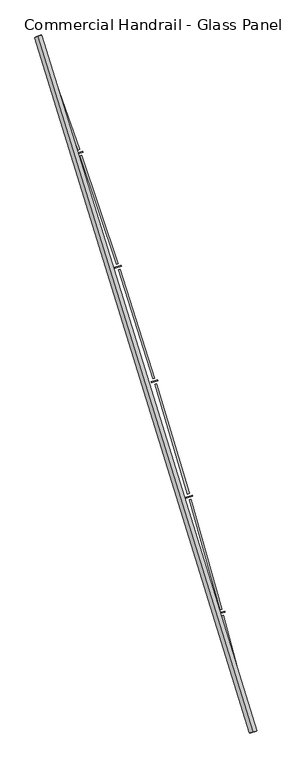
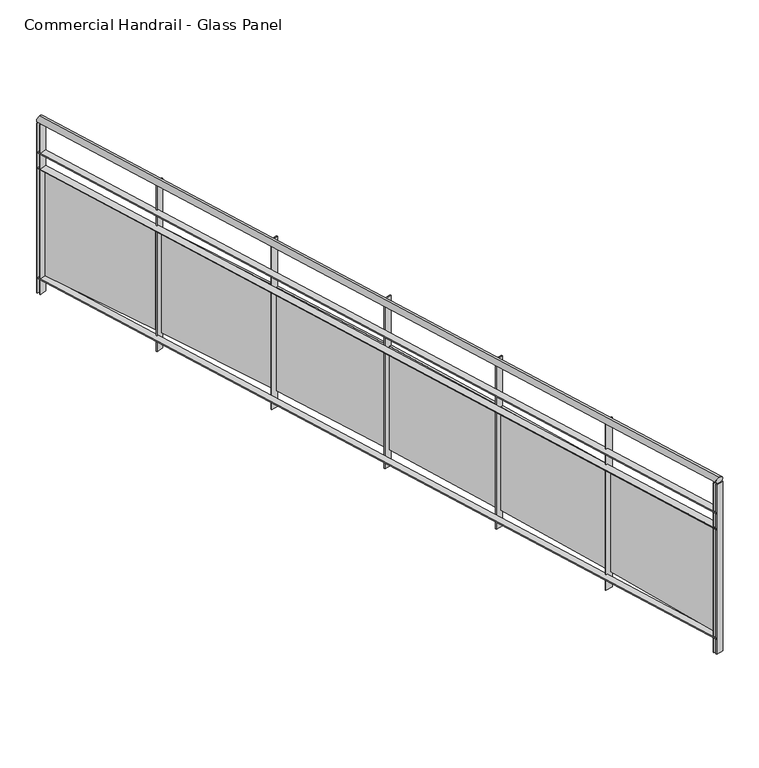
"""IFC4 building model written with IfcOpenShell, lengths in millimetres: railing geometry, Commercial Handrail - Glass Panel."""

from ifc_helpers import new_model, si_unit, point, frame, origin, place, context, project, spatial, polyline, circle_curve, ellipse_curve, trimmed, outline, extrude, source, transform, mapped, element, save
from ifc_brep_helpers import plane_surface, cylinder_surface, revolved_surface, advanced_brep


def commercial_handrail_glass_panel_b037a765(model_context):
    return source(origin(), model_context, "Body", "SolidModel", [
        advanced_brep(
        [(180775.6028582, -41782.2225015, 19682.5), (179346.0628414, -37160.8311359, 19682.5), (179346.0628414, -37160.8311359, 19717.5), (180775.6028582, -41782.2225015, 19717.5)],
        [
            (0, 1, circle_curve(frame((134505.1876621, -53563.3040857, 19682.5), z_axis=(0.0, 0.0, 1.0), x_axis=(0.9391412678699065, 0.3435311906999195, 0.0)), 47746.6774311)),
            (1, 2, ellipse_curve(frame((179346.0628414, -37160.8311359, 19700.0), z_axis=(0.34353119069991367, -0.9391412678699088, 0.0), x_axis=(-0.9391412678699086, -0.3435311906999136, 0.0)), 25.0, 17.5)),
            (2, 3, circle_curve(frame((134505.1876621, -53563.3040857, 19717.5), z_axis=(0.0, 0.0, -1.0), x_axis=(0.9391412678699065, 0.3435311906999195, 0.0)), 47746.6774311)),
            (3, 0, ellipse_curve(frame((180775.6028582, -41782.2225015, 19700.0), z_axis=(-0.24674139056469277, 0.9690813620033158, 0.0), x_axis=(-0.9690813620033158, -0.24674139056469277, 0.0)), 25.0, 17.5)),
            (2, 1, ellipse_curve(frame((179346.0628414, -37160.8311359, 19700.0), z_axis=(0.34353119069991367, -0.9391412678699088, 0.0), x_axis=(-0.9391412678699086, -0.3435311906999136, 0.0)), 25.0, 17.5)),
            (0, 3, ellipse_curve(frame((180775.6028582, -41782.2225015, 19700.0), z_axis=(-0.24674139056469277, 0.9690813620033158, 0.0), x_axis=(-0.9690813620033158, -0.24674139056469277, 0.0)), 25.0, 17.5)),
        ],
        [
            revolved_surface(trimmed(ellipse_curve(frame((179346.0628414, -37160.8311359, 19700.0), z_axis=(-0.3435311906999195, 0.9391412678699065, 0.0), x_axis=(0.0, 0.0, -1.0)), 17.5, 25.0), [point((179346.0628414, -37160.8311359, 19717.5))], [point((179346.0628414, -37160.8311359, 19682.5))], True, "CARTESIAN"), (134505.1876621, -53563.3040857, 19700.0), (0.0, 0.0, -1.0)),
            revolved_surface(trimmed(ellipse_curve(frame((179346.0628414, -37160.8311359, 19700.0), z_axis=(-0.3435311906999195, 0.9391412678699065, 0.0), x_axis=(0.0, 0.0, -1.0)), 17.5, 25.0), [point((179346.0628414, -37160.8311359, 19682.5))], [point((179346.0628414, -37160.8311359, 19717.5))], True, "CARTESIAN"), (134505.1876621, -53563.3040857, 19700.0), (0.0, 0.0, -1.0)),
            plane_surface(frame((179346.0628414, -37160.8311359, 19700.0), z_axis=(-0.3435311906999195, 0.9391412678699065, 0.0), x_axis=(0.9391412678699065, 0.3435311906999195, 0.0))),
            plane_surface(frame((180775.6028582, -41782.2225015, 19700.0), z_axis=(0.24674139056469271, -0.9690813620033158, 0.0), x_axis=(0.9690813620033158, 0.24674139056469271, 0.0))),
        ],
        [
            (0, [[1, 2, 3, 4]]),
            (1, [[-3, 5, -1, 6]]),
            (2, [[-2, -5]]),
            (3, [[-6, -4]]),
        ],
    ),
        advanced_brep(
        [(180797.4071889, -41776.6708203, 19500.0), (179367.1935199, -37153.1016841, 19500.0), (179324.9321629, -37168.5605877, 19500.0), (180753.7985276, -41787.7741828, 19500.0), (180797.4071889, -41776.6708203, 19494.0), (179367.1935199, -37153.1016841, 19494.0), (180753.7985276, -41787.7741828, 19494.0), (179324.9321629, -37168.5605877, 19494.0)],
        [
            (0, 1, circle_curve(frame((134505.1876621, -53563.3040857, 19500.0), z_axis=(0.0, 0.0, 1.0), x_axis=(0.9391412678699065, 0.3435311906999195, 0.0)), 47769.1774311)),
            (1, 2),
            (2, 3, circle_curve(frame((134505.1876621, -53563.3040857, 19500.0), z_axis=(0.0, 0.0, -1.0), x_axis=(0.9391412678699065, 0.3435311906999195, 0.0)), 47724.1774311)),
            (3, 0),
            (4, 5, circle_curve(frame((134505.1876621, -53563.3040857, 19494.0), z_axis=(0.0, 0.0, 1.0), x_axis=(0.9391412678699065, 0.3435311906999195, 0.0)), 47769.1774311)),
            (5, 1),
            (0, 4),
            (6, 7, circle_curve(frame((134505.1876621, -53563.3040857, 19494.0), z_axis=(0.0, 0.0, 1.0), x_axis=(0.9391412678699065, 0.3435311906999195, 0.0)), 47724.1774311)),
            (7, 5),
            (4, 6),
            (2, 7),
            (6, 3),
        ],
        [
            plane_surface(frame((134505.1876621, -53563.3040857, 19500.0), z_axis=(0.0, 0.0, 1.0), x_axis=(0.9391412678699065, 0.3435311906999195, 0.0))),
            cylinder_surface(frame((134505.1876621, -53563.3040857, 19500.0), z_axis=(0.0, 0.0, -1.0), x_axis=(0.9391412678699065, 0.3435311906999195, 0.0)), 47769.1774311),
            plane_surface(frame((134505.1876621, -53563.3040857, 19494.0), z_axis=(0.0, 0.0, -1.0), x_axis=(0.9391412678699065, 0.3435311906999195, 0.0))),
            revolved_surface(polyline([(179324.93216279164, -37168.56058762, 19494.0), (179324.93216279164, -37168.56058762, 19500.0)]), (134505.1876621, -53563.3040857, 19500.0), (0.0, 0.0, -1.0)),
            plane_surface(frame((179346.0628414, -37160.8311359, 19500.0), z_axis=(-0.3435311906999195, 0.9391412678699065, 0.0), x_axis=(0.9391412678699065, 0.3435311906999195, 0.0))),
            plane_surface(frame((180775.6028582, -41782.2225015, 19500.0), z_axis=(0.24674139056469271, -0.9690813620033158, 0.0), x_axis=(0.9690813620033158, 0.24674139056469271, 0.0))),
        ],
        [
            (0, [[1, 2, 3, 4]]),
            (1, [[5, 6, -1, 7]]),
            (2, [[8, 9, -5, 10]]),
            (3, [[-3, 11, -8, 12]]),
            (4, [[-2, -6, -9, -11]]),
            (5, [[-12, -10, -7, -4]]),
        ],
    ),
        advanced_brep(
        [(180797.4071889, -41776.6708203, 19400.0), (179367.1935199, -37153.1016841, 19400.0), (179324.9321629, -37168.5605877, 19400.0), (180753.7985276, -41787.7741828, 19400.0), (180797.4071889, -41776.6708203, 19394.0), (179367.1935199, -37153.1016841, 19394.0), (180753.7985276, -41787.7741828, 19394.0), (179324.9321629, -37168.5605877, 19394.0)],
        [
            (0, 1, circle_curve(frame((134505.1876621, -53563.3040857, 19400.0), z_axis=(0.0, 0.0, 1.0), x_axis=(0.9391412678699065, 0.3435311906999195, 0.0)), 47769.1774311)),
            (1, 2),
            (2, 3, circle_curve(frame((134505.1876621, -53563.3040857, 19400.0), z_axis=(0.0, 0.0, -1.0), x_axis=(0.9391412678699065, 0.3435311906999195, 0.0)), 47724.1774311)),
            (3, 0),
            (4, 5, circle_curve(frame((134505.1876621, -53563.3040857, 19394.0), z_axis=(0.0, 0.0, 1.0), x_axis=(0.9391412678699065, 0.3435311906999195, 0.0)), 47769.1774311)),
            (5, 1),
            (0, 4),
            (6, 7, circle_curve(frame((134505.1876621, -53563.3040857, 19394.0), z_axis=(0.0, 0.0, 1.0), x_axis=(0.9391412678699065, 0.3435311906999195, 0.0)), 47724.1774311)),
            (7, 5),
            (4, 6),
            (2, 7),
            (6, 3),
        ],
        [
            plane_surface(frame((134505.1876621, -53563.3040857, 19400.0), z_axis=(0.0, 0.0, 1.0), x_axis=(0.9391412678699065, 0.3435311906999195, 0.0))),
            cylinder_surface(frame((134505.1876621, -53563.3040857, 19400.0), z_axis=(0.0, 0.0, -1.0), x_axis=(0.9391412678699065, 0.3435311906999195, 0.0)), 47769.1774311),
            plane_surface(frame((134505.1876621, -53563.3040857, 19394.0), z_axis=(0.0, 0.0, -1.0), x_axis=(0.9391412678699065, 0.3435311906999195, 0.0))),
            revolved_surface(polyline([(179324.93216279164, -37168.56058762, 19394.0), (179324.93216279164, -37168.56058762, 19400.0)]), (134505.1876621, -53563.3040857, 19400.0), (0.0, 0.0, -1.0)),
            plane_surface(frame((179346.0628414, -37160.8311359, 19400.0), z_axis=(-0.3435311906999195, 0.9391412678699065, 0.0), x_axis=(0.9391412678699065, 0.3435311906999195, 0.0))),
            plane_surface(frame((180775.6028582, -41782.2225015, 19400.0), z_axis=(0.24674139056469271, -0.9690813620033158, 0.0), x_axis=(0.9690813620033158, 0.24674139056469271, 0.0))),
        ],
        [
            (0, [[1, 2, 3, 4]]),
            (1, [[5, 6, -1, 7]]),
            (2, [[8, 9, -5, 10]]),
            (3, [[-3, 11, -8, 12]]),
            (4, [[-2, -6, -9, -11]]),
            (5, [[-12, -10, -7, -4]]),
        ],
    ),
        advanced_brep(
        [(180797.4071889, -41776.6708203, 18700.0), (179367.1935199, -37153.1016841, 18700.0), (179324.9321629, -37168.5605877, 18700.0), (180753.7985276, -41787.7741828, 18700.0), (180797.4071889, -41776.6708203, 18694.0), (179367.1935199, -37153.1016841, 18694.0), (180753.7985276, -41787.7741828, 18694.0), (179324.9321629, -37168.5605877, 18694.0)],
        [
            (0, 1, circle_curve(frame((134505.1876621, -53563.3040857, 18700.0), z_axis=(0.0, 0.0, 1.0), x_axis=(0.9391412678699065, 0.3435311906999195, 0.0)), 47769.1774311)),
            (1, 2),
            (2, 3, circle_curve(frame((134505.1876621, -53563.3040857, 18700.0), z_axis=(0.0, 0.0, -1.0), x_axis=(0.9391412678699065, 0.3435311906999195, 0.0)), 47724.1774311)),
            (3, 0),
            (4, 5, circle_curve(frame((134505.1876621, -53563.3040857, 18694.0), z_axis=(0.0, 0.0, 1.0), x_axis=(0.9391412678699065, 0.3435311906999195, 0.0)), 47769.1774311)),
            (5, 1),
            (0, 4),
            (6, 7, circle_curve(frame((134505.1876621, -53563.3040857, 18694.0), z_axis=(0.0, 0.0, 1.0), x_axis=(0.9391412678699065, 0.3435311906999195, 0.0)), 47724.1774311)),
            (7, 5),
            (4, 6),
            (2, 7),
            (6, 3),
        ],
        [
            plane_surface(frame((134505.1876621, -53563.3040857, 18700.0), z_axis=(0.0, 0.0, 1.0), x_axis=(0.9391412678699065, 0.3435311906999195, 0.0))),
            cylinder_surface(frame((134505.1876621, -53563.3040857, 18700.0), z_axis=(0.0, 0.0, -1.0), x_axis=(0.9391412678699065, 0.3435311906999195, 0.0)), 47769.1774311),
            plane_surface(frame((134505.1876621, -53563.3040857, 18694.0), z_axis=(0.0, 0.0, -1.0), x_axis=(0.9391412678699065, 0.3435311906999195, 0.0))),
            revolved_surface(polyline([(179324.93216279164, -37168.56058762, 18694.0), (179324.93216279164, -37168.56058762, 18700.0)]), (134505.1876621, -53563.3040857, 18700.0), (0.0, 0.0, -1.0)),
            plane_surface(frame((179346.0628414, -37160.8311359, 18700.0), z_axis=(-0.3435311906999195, 0.9391412678699065, 0.0), x_axis=(0.9391412678699065, 0.3435311906999195, 0.0))),
            plane_surface(frame((180775.6028582, -41782.2225015, 18700.0), z_axis=(0.24674139056469271, -0.9690813620033158, 0.0), x_axis=(0.9690813620033158, 0.24674139056469271, 0.0))),
        ],
        [
            (0, [[1, 2, 3, 4]]),
            (1, [[5, 6, -1, 7]]),
            (2, [[8, 9, -5, 10]]),
            (3, [[-3, 11, -8, 12]]),
            (4, [[-2, -6, -9, -11]]),
            (5, [[-12, -10, -7, -4]]),
        ],
    ),
        extrude(outline(polyline([(180748.1806794, -41765.7315693), (180791.7847427, -41754.6101634), (180793.2675968, -41760.4240385), (180749.6635336, -41771.5454444), (180748.1806794, -41765.7315693)])), frame((0.0, 0.0, 18600.0), z_axis=(0.0, 0.0, 1.0), x_axis=(1.0, 0.0, 0.0)), (0.0, 0.0, 1.0), 1082.1192282),
        extrude(outline(polyline([(180579.0506002, -41006.960836), (180773.041554, -41741.7856518), (180761.4390569, -41744.8486668), (180567.4481031, -41010.0238511), (180579.0506002, -41006.960836)])), frame((0.0, 0.0, 18720.0), z_axis=(0.0, 0.0, 1.0), x_axis=(1.0, 0.0, 0.0)), (0.0, 0.0, 1.0), 660.0),
        extrude(outline(polyline([(180544.0296903, -40992.6181386), (180587.4413017, -40980.7677378), (180589.0213551, -40986.5559526), (180545.6097438, -40998.4063534), (180544.0296903, -40992.6181386)])), frame((0.0, 0.0, 18600.0), z_axis=(0.0, 0.0, 1.0), x_axis=(1.0, 0.0, 0.0)), (0.0, 0.0, 1.0), 1082.1192282),
        extrude(outline(polyline([(180362.2106717, -40236.7875664), (180568.485878, -40968.2590554), (180556.9363282, -40971.5160323), (180350.6611219, -40240.0445433), (180362.2106717, -40236.7875664)])), frame((0.0, 0.0, 18720.0), z_axis=(0.0, 0.0, 1.0), x_axis=(1.0, 0.0, 0.0)), (0.0, 0.0, 1.0), 660.0),
        extrude(outline(polyline([(180326.9543755, -40223.0336333), (180370.1613482, -40210.4575643), (180371.8381574, -40216.218494), (180328.6311847, -40228.794563), (180326.9543755, -40223.0336333)])), frame((0.0, 0.0, 18600.0), z_axis=(0.0, 0.0, 1.0), x_axis=(1.0, 0.0, 0.0)), (0.0, 0.0, 1.0), 1082.1192282),
        extrude(outline(polyline([(180132.4974589, -39470.3554039), (180350.9990108, -40198.2682227), (180339.5056505, -40201.7182472), (180121.0040986, -39473.8054284), (180132.4974589, -39470.3554039)])), frame((0.0, 0.0, 18720.0), z_axis=(0.0, 0.0, 1.0), x_axis=(1.0, 0.0, 0.0)), (0.0, 0.0, 1.0), 660.0),
        extrude(outline(polyline([(180097.0156738, -39457.1940962), (180140.0058784, -39443.8958894), (180141.7789726, -39449.6279167), (180098.788768, -39462.9261235), (180097.0156738, -39457.1940962)])), frame((0.0, 0.0, 18600.0), z_axis=(0.0, 0.0, 1.0), x_axis=(1.0, 0.0, 0.0)), (0.0, 0.0, 1.0), 1082.1192282),
        extrude(outline(polyline([(179889.9754484, -38707.8795063), (180120.6420068, -39432.0293105), (180109.2080625, -39435.6714141), (179878.5415042, -38711.5216099), (179889.9754484, -38707.8795063)])), frame((0.0, 0.0, 18720.0), z_axis=(0.0, 0.0, 1.0), x_axis=(1.0, 0.0, 0.0)), (0.0, 0.0, 1.0), 660.0),
        extrude(outline(polyline([(179854.278135, -38695.3145188), (179897.0395032, -38681.2979075), (179898.9083847, -38686.9994232), (179856.1470165, -38701.0160346), (179854.278135, -38695.3145188)])), frame((0.0, 0.0, 18600.0), z_axis=(0.0, 0.0, 1.0), x_axis=(1.0, 0.0, 0.0)), (0.0, 0.0, 1.0), 1082.1192282),
        extrude(outline(polyline([(179634.7127226, -37949.5739211), (179877.4795332, -38669.7574225), (179866.1082147, -38673.5905826), (179623.3414042, -37953.4070812), (179634.7127226, -37949.5739211)])), frame((0.0, 0.0, 18720.0), z_axis=(0.0, 0.0, 1.0), x_axis=(1.0, 0.0, 0.0)), (0.0, 0.0, 1.0), 660.0),
        extrude(outline(polyline([(179598.8099021, -37937.608781), (179641.3304295, -37922.8776999), (179643.2945737, -37928.5471036), (179600.7740463, -37943.2781847), (179598.8099021, -37937.608781)])), frame((0.0, 0.0, 18600.0), z_axis=(0.0, 0.0, 1.0), x_axis=(1.0, 0.0, 0.0)), (0.0, 0.0, 1.0), 1082.1192282),
        extrude(outline(polyline([(179366.7809405, -37195.6515245), (179621.5798522, -37911.6665486), (179610.2743518, -37915.6896893), (179355.4754402, -37199.6746652), (179366.7809405, -37195.6515245)])), frame((0.0, 0.0, 18720.0), z_axis=(0.0, 0.0, 1.0), x_axis=(1.0, 0.0, 0.0)), (0.0, 0.0, 1.0), 660.0),
        extrude(outline(polyline([(179330.6826918, -37184.2895909), (179372.9504418, -37168.8481755), (179375.0092972, -37174.4838755), (179332.7415472, -37189.9252909), (179330.6826918, -37184.2895909)])), frame((0.0, 0.0, 18600.0), z_axis=(0.0, 0.0, 1.0), x_axis=(1.0, 0.0, 0.0)), (0.0, 0.0, 1.0), 1082.1192282),
        extrude(outline(polyline([(180753.0583034, -41784.8669387), (180796.6669647, -41773.7635762), (180798.147413, -41779.5780643), (180754.5387518, -41790.6814269), (180753.0583034, -41784.8669387)])), frame((0.0, 0.0, 18600.0), z_axis=(0.0, 0.0, 1.0), x_axis=(1.0, 0.0, 0.0)), (0.0, 0.0, 1.0), 1082.1192282),
        extrude(outline(polyline([(179323.9015693, -37165.7431638), (179366.1629263, -37150.2842603), (179368.2241135, -37155.9191079), (179325.9627564, -37171.3780115), (179323.9015693, -37165.7431638)])), frame((0.0, 0.0, 18600.0), z_axis=(0.0, 0.0, 1.0), x_axis=(1.0, 0.0, 0.0)), (0.0, 0.0, 1.0), 1082.1192282),
    ])


if __name__ == "__main__":
    model = new_model("IFC4")
    model_context = context("Model", 3, world=origin())
    ifc_project = project(units=[si_unit("LENGTHUNIT", "METRE", prefix="MILLI")], contexts=[model_context])
    site = spatial("IfcSite", under=ifc_project)
    building = spatial("IfcBuilding", under=site)
    placement = place(None, origin())
    commercial_handrail_glass_panel_shape = commercial_handrail_glass_panel_b037a765(model_context)
    element("IfcRailing", 1, ObjectType="Commercial Handrail - Glass Panel", at=placement, inside=building, context=model_context, shape_type="MappedRepresentation", body=[
        mapped(commercial_handrail_glass_panel_shape, transform((0.0, 0.0, 0.0), x_axis=(1.0, 0.0, 0.0), y_axis=(0.0, 1.0, 0.0), z_axis=(0.0, 0.0, 1.0))),
    ])
    save(model, "model.ifc")
